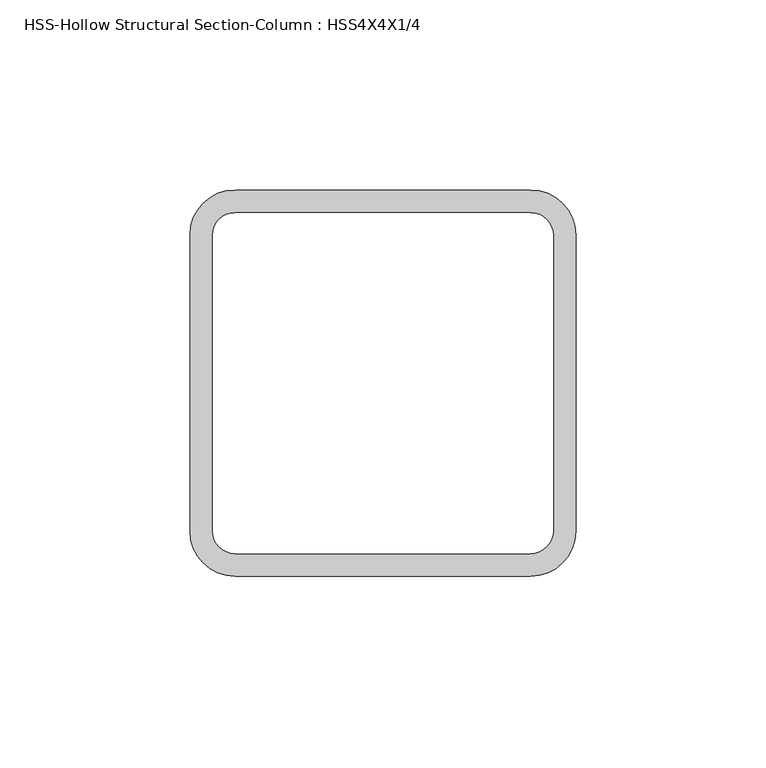
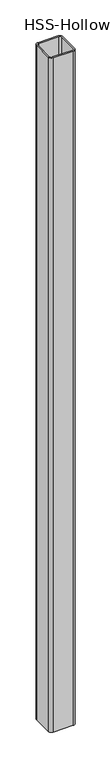
"""IFC4 building model written with IfcOpenShell, lengths in millimetres: column geometry, HSS-Hollow Structural Section-Column : HSS4X4X1/4."""

import ifcopenshell
import ifcopenshell.guid

model = None  # the IFC model being written
_history = None  # IfcOwnerHistory: only IFC2X3 demands one
_inside = {}  # id of a spatial element -> (the spatial element, [elements in it])
_under = {}  # id of a project, library or spatial element -> (it, [spatial elements below it])
_declared = {}  # id of a project -> (the project, [libraries it declares])
_typed = {}  # id of a type object -> (the type object, [elements of that type])
_made_of = {}  # id of a material, layer set ... -> (it, [elements and type objects made of it])


def new_model(schema):
    """Start an empty IFC model of exactly this schema.

    Asked for "IFC4X3", IfcOpenShell would pick the latest addendum, in which some entities
    have other attributes; the version numbers below select the first issue.
    IFC2X3 requires an IfcOwnerHistory on every rooted entity: one is made here for all.
    """
    global model, _history
    if schema == "IFC4X3":
        model = ifcopenshell.file(schema_version=(4, 3, 0, 0))
    else:
        model = ifcopenshell.file(schema=schema)
    _inside.clear()
    _under.clear()
    _declared.clear()
    _typed.clear()
    _made_of.clear()
    _history = None
    if model.schema == "IFC2X3":
        org = make("IfcOrganization", Name="unknown")
        user = make(
            "IfcPersonAndOrganization",
            ThePerson=make("IfcPerson", FamilyName="unknown"),
            TheOrganization=org,
        )
        app = make(
            "IfcApplication",
            ApplicationDeveloper=org,
            Version="unknown",
            ApplicationFullName="unknown",
            ApplicationIdentifier="unknown",
        )
        _history = make(
            "IfcOwnerHistory",
            OwningUser=user,
            OwningApplication=app,
            ChangeAction="ADDED",
            CreationDate=0,
        )
    return model


def make(cls, **values):
    """One entity of the class cls with the attributes given. An attribute that is None is left unset."""
    return model.create_entity(
        cls, **{name: value for name, value in values.items() if value is not None}
    )


def rooted(cls, **values):
    """An entity with a GlobalId (a new one), such as an element, a storey or a relation."""
    return make(cls, GlobalId=ifcopenshell.guid.new(), OwnerHistory=_history, **values)


def si_unit(unit_type, name, prefix=None):
    """IfcSIUnit, for example si_unit("LENGTHUNIT", "METRE", prefix="MILLI")."""
    return make("IfcSIUnit", UnitType=unit_type, Prefix=prefix, Name=name)


def assignment(units):
    """IfcUnitAssignment: the units of a project."""
    return None if units is None else make("IfcUnitAssignment", Units=units)


def point(xyz):
    """IfcCartesianPoint."""
    return None if xyz is None else make("IfcCartesianPoint", Coordinates=xyz)


def direction(xyz):
    """IfcDirection."""
    return None if xyz is None else make("IfcDirection", DirectionRatios=xyz)


def frame(location, z_axis=None, x_axis=None):
    """IfcAxis2Placement3D, a coordinate frame: its origin and axes. An axis left out is left unset."""
    return make(
        "IfcAxis2Placement3D",
        Location=point(location),
        Axis=direction(z_axis),
        RefDirection=direction(x_axis),
    )


def frame_2d(location, x_axis=None):
    """IfcAxis2Placement2D, a coordinate frame in the plane: its origin and x axis."""
    return make(
        "IfcAxis2Placement2D", Location=point(location), RefDirection=direction(x_axis)
    )


def origin():
    """The frame at (0, 0, 0) with its axes left unset."""
    return frame((0.0, 0.0, 0.0))


def place(relative_to, where):
    """IfcLocalPlacement: puts the frame where relative to a parent placement (None: the world)."""
    return make(
        "IfcLocalPlacement", PlacementRelTo=relative_to, RelativePlacement=where
    )


def context(
    kind, dimensions, precision=None, world=None, true_north=None, identifier=None
):
    """IfcGeometricRepresentationContext, for example the 3D "Model" context."""
    return make(
        "IfcGeometricRepresentationContext",
        ContextIdentifier=identifier,
        ContextType=kind,
        CoordinateSpaceDimension=dimensions,
        Precision=precision,
        WorldCoordinateSystem=world,
        TrueNorth=true_north,
    )


def project(units=None, contexts=None):
    """IfcProject with its units and contexts."""
    return rooted(
        "IfcProject",
        Name="project",
        RepresentationContexts=contexts,
        UnitsInContext=assignment(units),
    )


def spatial(cls, under=None, at=None, **own):
    """A site, building, storey or space (cls), placed at a placement, below another one or the project."""
    s = rooted(cls, ObjectPlacement=at, **own)
    if under is not None:
        _under.setdefault(under.id(), (under, []))[1].append(s)
    return s


def polyline(points):
    """IfcPolyline through the points."""
    return make("IfcPolyline", Points=[point(p) for p in points])


def circle_curve(where, radius):
    """IfcCircle in the frame where."""
    return make("IfcCircle", Position=where, Radius=radius)


def trimmed(basis, trim1, trim2, sense, master):
    """IfcTrimmedCurve: the piece of a basis curve between two trims."""
    return make(
        "IfcTrimmedCurve",
        BasisCurve=basis,
        Trim1=trim1,
        Trim2=trim2,
        SenseAgreement=sense,
        MasterRepresentation=master,
    )


def segment(curve, same_sense, transition):
    """IfcCompositeCurveSegment."""
    return make(
        "IfcCompositeCurveSegment",
        Transition=transition,
        SameSense=same_sense,
        ParentCurve=curve,
    )


def composite_curve(segments, self_intersect=None):
    """IfcCompositeCurve: segments joined end to end."""
    return make("IfcCompositeCurve", Segments=segments, SelfIntersect=self_intersect)


def outline(outer, holes=None, kind="AREA"):
    """IfcArbitraryClosedProfileDef: a profile drawn as a closed curve; with holes, ...WithVoids."""
    if holes is None:
        return make("IfcArbitraryClosedProfileDef", ProfileType=kind, OuterCurve=outer)
    return make(
        "IfcArbitraryProfileDefWithVoids",
        ProfileType=kind,
        OuterCurve=outer,
        InnerCurves=holes,
    )


def extrude(swept, where, along, depth):
    """IfcExtrudedAreaSolid: the profile swept, set in the frame where, extruded along a direction by depth."""
    return make(
        "IfcExtrudedAreaSolid",
        SweptArea=swept,
        Position=where,
        ExtrudedDirection=direction(along),
        Depth=depth,
    )


def shape(context_of_items, identifier, shape_type, items):
    """IfcShapeRepresentation: the items that make up one representation, for example the "Body"."""
    return make(
        "IfcShapeRepresentation",
        ContextOfItems=context_of_items,
        RepresentationIdentifier=identifier,
        RepresentationType=shape_type,
        Items=items,
    )


def source(mapping_origin, context_of_items, identifier, shape_type, items):
    """IfcRepresentationMap: a shape defined once, which mapped items show again and again."""
    return make(
        "IfcRepresentationMap",
        MappingOrigin=mapping_origin,
        MappedRepresentation=shape(context_of_items, identifier, shape_type, items),
    )


def transform(
    local_origin,
    x_axis=None,
    y_axis=None,
    z_axis=None,
    scale=None,
    scale2=None,
    scale3=None,
    uniform=True,
):
    """IfcCartesianTransformationOperator3D, or its non-uniform kind. x_axis, y_axis, z_axis: its Axis1, 2, 3."""
    if uniform:
        return make(
            "IfcCartesianTransformationOperator3D",
            Axis1=direction(x_axis),
            Axis2=direction(y_axis),
            LocalOrigin=point(local_origin),
            Scale=scale,
            Axis3=direction(z_axis),
        )
    return make(
        "IfcCartesianTransformationOperator3DnonUniform",
        Axis1=direction(x_axis),
        Axis2=direction(y_axis),
        LocalOrigin=point(local_origin),
        Scale=scale,
        Axis3=direction(z_axis),
        Scale2=scale2,
        Scale3=scale3,
    )


def mapped(mapping_source, mapping_target):
    """IfcMappedItem: shows the shape of a source again, moved by a transform."""
    return make(
        "IfcMappedItem", MappingSource=mapping_source, MappingTarget=mapping_target
    )


def made_of(thing, what):
    """Note that an element or type object is made of a material, layer set ...; save() writes the relation."""
    if what is not None:
        _made_of.setdefault(what.id(), (what, []))[1].append(thing)
    return thing


def element(
    cls,
    number,
    at=None,
    inside=None,
    cuts=None,
    type_object=None,
    material=None,
    context=None,
    identifier="Body",
    shape_type=None,
    held_by="IfcProductDefinitionShape",
    body=None,
    shapes=None,
    **own,
):
    """One element of the class cls, such as IfcWall. Its Tag is "e" and its number.

    at: its placement. inside: the storey or other place that contains it. cuts: it is an
    opening in that element (IfcRelVoidsElement). A single representation is given by context,
    identifier, shape_type and body (its items); several are given by shapes. held_by: the class
    of the entity that holds the representations. save() writes the other relations.
    """
    e = rooted(cls, Tag="e%d" % number, ObjectPlacement=at, **own)
    if body is not None:
        shapes = [shape(context, identifier, shape_type, body)]
    if shapes is not None:
        e.Representation = make(held_by, Representations=shapes)
    if inside is not None:
        _inside.setdefault(inside.id(), (inside, []))[1].append(e)
    if cuts is not None:
        rooted(
            "IfcRelVoidsElement", RelatingBuildingElement=cuts, RelatedOpeningElement=e
        )
    if type_object is not None:
        _typed.setdefault(type_object.id(), (type_object, []))[1].append(e)
    return made_of(e, material)


def aggregate(whole, parts):
    """IfcRelAggregates: a whole, such as a stair, and the parts it consists of."""
    return rooted("IfcRelAggregates", RelatingObject=whole, RelatedObjects=parts)


def save(model, path):
    """Write the relations noted so far, then the file.

    IfcRelAggregates (storeys below a building ...), IfcRelContainedInSpatialStructure (elements
    in a storey), IfcRelDefinesByType, IfcRelAssociatesMaterial and IfcRelDeclares: one each for
    every whole, place, type object, material and project.
    """
    for whole, parts in _under.values():
        aggregate(whole, parts)
    for where, things in _inside.values():
        rooted(
            "IfcRelContainedInSpatialStructure",
            RelatedElements=things,
            RelatingStructure=where,
        )
    for kind, things in _typed.values():
        rooted("IfcRelDefinesByType", RelatedObjects=things, RelatingType=kind)
    for what, things in _made_of.values():
        rooted("IfcRelAssociatesMaterial", RelatedObjects=things, RelatingMaterial=what)
    for by, libraries in _declared.values():
        rooted("IfcRelDeclares", RelatingContext=by, RelatedDefinitions=libraries)
    model.write(path)


def hss_hollow_structural_section_column_hss4x4x1_4_e2f2a089(model_context):
    return source(origin(), model_context, "Body", "SweptSolid", [
        extrude(outline(composite_curve([segment(trimmed(circle_curve(frame_2d((38.89375, 38.89375)), 11.90625), [point((38.89375, 50.8))], [point((50.8, 38.89375))], False, "CARTESIAN"), True, "CONTINUOUS"), segment(polyline([(50.8, 38.89375), (50.8, -38.89375)]), True, "CONTINUOUS"), segment(trimmed(circle_curve(frame_2d((38.89375, -38.89375)), 11.90625), [point((50.8, -38.89375))], [point((38.89375, -50.8))], False, "CARTESIAN"), True, "CONTINUOUS"), segment(polyline([(38.89375, -50.8), (-38.89375, -50.8)]), True, "CONTINUOUS"), segment(trimmed(circle_curve(frame_2d((-38.89375, -38.89375)), 11.90625), [point((-38.89375, -50.8))], [point((-50.8, -38.89375))], False, "CARTESIAN"), True, "CONTINUOUS"), segment(polyline([(-50.8, -38.89375), (-50.8, 38.89375)]), True, "CONTINUOUS"), segment(trimmed(circle_curve(frame_2d((-38.89375, 38.89375)), 11.90625), [point((-50.8, 38.89375))], [point((-38.89375, 50.8))], False, "CARTESIAN"), True, "CONTINUOUS"), segment(polyline([(-38.89375, 50.8), (38.89375, 50.8)]), True, "CONTINUOUS")], self_intersect=False), holes=[composite_curve([segment(polyline([(38.89375, 44.846875), (-38.89375, 44.846875)]), True, "CONTINUOUS"), segment(trimmed(circle_curve(frame_2d((-38.89375, 38.89375)), 5.953125), [point((-38.89375, 44.846875))], [point((-44.846875, 38.89375))], True, "CARTESIAN"), True, "CONTINUOUS"), segment(polyline([(-44.846875, 38.89375), (-44.846875, -38.89375)]), True, "CONTINUOUS"), segment(trimmed(circle_curve(frame_2d((-38.89375, -38.89375)), 5.953125), [point((-44.846875, -38.89375))], [point((-38.89375, -44.846875))], True, "CARTESIAN"), True, "CONTINUOUS"), segment(polyline([(-38.89375, -44.846875), (38.89375, -44.846875)]), True, "CONTINUOUS"), segment(trimmed(circle_curve(frame_2d((38.89375, -38.89375)), 5.953125), [point((38.89375, -44.846875))], [point((44.846875, -38.89375))], True, "CARTESIAN"), True, "CONTINUOUS"), segment(polyline([(44.846875, -38.89375), (44.846875, 38.89375)]), True, "CONTINUOUS"), segment(trimmed(circle_curve(frame_2d((38.89375, 38.89375)), 5.953125), [point((44.846875, 38.89375))], [point((38.89375, 44.846875))], True, "CARTESIAN"), True, "CONTINUOUS")], self_intersect=False)]), frame((0.0, 0.0, 30480.0), z_axis=(0.0, 0.0, 1.0), x_axis=(1.0, 0.0, 0.0)), (0.0, 0.0, 1.0), 2743.2),
    ])


if __name__ == "__main__":
    model = new_model("IFC4")
    model_context = context("Model", 3, world=origin())
    ifc_project = project(units=[si_unit("LENGTHUNIT", "METRE", prefix="MILLI")], contexts=[model_context])
    site = spatial("IfcSite", under=ifc_project)
    building = spatial("IfcBuilding", under=site)
    placement = place(None, origin())
    hss_hollow_structural_section_column_hss4x4x1_4_shape = hss_hollow_structural_section_column_hss4x4x1_4_e2f2a089(model_context)
    element("IfcColumn", 1, ObjectType="HSS-Hollow Structural Section-Column : HSS4X4X1/4", at=placement, inside=building, context=model_context, shape_type="MappedRepresentation", body=[
        mapped(hss_hollow_structural_section_column_hss4x4x1_4_shape, transform((0.0, 0.0, 0.0), x_axis=(1.0, 0.0, 0.0), y_axis=(0.0, 1.0, 0.0), z_axis=(0.0, 0.0, 1.0))),
    ])
    save(model, "model.ifc")
